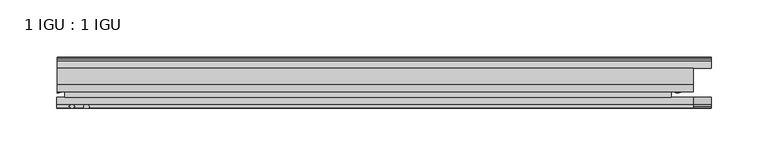
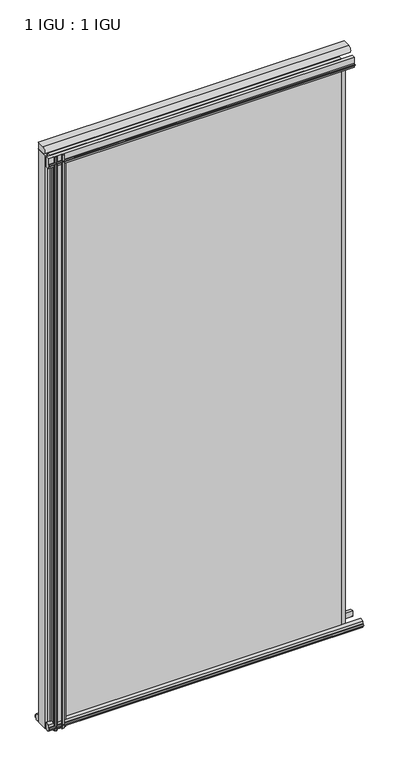
"""IFC4 building model written with IfcOpenShell, lengths in millimetres: plate geometry, 1 IGU : 1 IGU."""

from ifc_helpers import new_model, si_unit, point, frame, frame_2d, origin, place, context, project, spatial, polyline, circle_curve, ellipse_curve, trimmed, segment, composite_curve, outline, extrude, source, transform, mapped, element, save
from ifc_brep_helpers import plane_surface, cylinder_surface, revolved_surface, extruded_surface, advanced_brep


def plate_1_igu_1_igu_8204e6f6(model_context):
    return source(origin(), model_context, "Body", "SolidModel", [
        extrude(outline(polyline([(-314.3261907, -38.6468937), (218.0840032, -38.6468937), (218.0840032, -44.9460938), (-314.3261907, -44.9460938), (-314.3261907, -38.6468937)])), frame((0.0, 0.0, -12.7), z_axis=(0.0, 0.0, 1.0), x_axis=(1.0, 0.0, 0.0)), (0.0, 0.0, 1.0), 1106.5764186),
        extrude(outline(polyline([(-314.3261907, -19.5460937), (218.0840032, -19.5460937), (218.0840032, -25.8960938), (-314.3261907, -25.8960938), (-314.3261907, -19.5460937)])), frame((0.0, 0.0, -12.7), z_axis=(0.0, 0.0, 1.0), x_axis=(1.0, 0.0, 0.0)), (0.0, 0.0, 1.0), 1106.5764186),
        advanced_brep(
        [(230.8149887, -20.0381352, 1074.8264186), (218.1149887, -19.5460938, 1074.8264186), (218.1149887, -25.8960938, 1074.8264186), (217.2629308, -29.4671887, 1074.8264186), (230.8149887, -32.2460938, 1074.8264186), (230.8149887, -20.0381352, -12.4587), (230.8149887, -32.2460938, -12.4587), (217.266167, -29.4679608, -12.4587), (218.1149887, -25.8960938, -12.4587), (218.1149887, -19.5460938, -12.4587)],
        [
            (0, 1, circle_curve(frame((225.0982619, -3.4468047, 1074.8264186), z_axis=(0.0, 0.0, -1.0), x_axis=(0.0, 1.0, 0.0)), 17.5485957)),
            (1, 2),
            (2, 3),
            (3, 4, ellipse_curve(frame((223.8788201, -32.2460938, 1074.8264186), z_axis=(0.0, 0.0, 1.0), x_axis=(0.0, -1.0, 0.0)), 9.2039536, 6.9361686)),
            (4, 0),
            (5, 6),
            (6, 7, ellipse_curve(frame((223.8788201, -32.2460938, -12.4587), z_axis=(0.0, 0.0, -1.0), x_axis=(0.0, -1.0, 0.0)), 9.2039536, 6.9361686)),
            (7, 8),
            (8, 9),
            (9, 5, circle_curve(frame((225.0982619, -3.4468047, -12.4587), z_axis=(0.0, 0.0, 1.0), x_axis=(0.0, 1.0, 0.0)), 17.5485957)),
            (0, 5),
            (9, 1),
            (8, 2),
            (7, 3),
            (6, 4),
        ],
        [
            plane_surface(frame((253.2074407, -13.1960938, 1074.8264186), z_axis=(0.0, 0.0, 1.0), x_axis=(0.0, 1.0, 0.0))),
            plane_surface(frame((253.2074407, -13.1960938, -12.4587), z_axis=(0.0, 0.0, -1.0), x_axis=(0.0, 1.0, 0.0))),
            revolved_surface(polyline([(225.0982619, 14.101791, -12.458699999999908), (225.0982619, 14.101791, 1074.8264186)]), (225.0982619, -3.4468047, 1074.8264186), (0.0, 0.0, -1.0)),
            plane_surface(frame((218.1149887, -19.5460938, 1074.8264186), z_axis=(-1.0, 0.0, 0.0), x_axis=(0.0, 0.0, -1.0))),
            plane_surface(frame((218.1149887, -25.8960938, 1074.8264186), z_axis=(-0.972695803429064, 0.23208376503212744, 0.0), x_axis=(0.0, 0.0, -1.0))),
            extruded_surface(trimmed(ellipse_curve(frame((223.8788201, -32.2460938, -12.4587), z_axis=(0.0, 0.0, 1.0), x_axis=(0.0, -1.0, 0.0)), 9.2039536, 6.9361686), [point((217.266167, -29.4679608, -12.4587))], [point((230.8149887, -32.2460938, -12.4587))], True, "CARTESIAN"), (0.0, 0.0, 1087.2851185999998), 1087.2851185999998),
            plane_surface(frame((230.8149887, -32.2460938, 1074.8264186), z_axis=(1.0, 0.0, 0.0), x_axis=(0.0, 0.0, -1.0))),
        ],
        [
            (0, [[1, 2, 3, 4, 5]]),
            (1, [[6, 7, 8, 9, 10]]),
            (2, [[-1, 11, -10, 12]]),
            (3, [[-2, -12, -9, 13]]),
            (4, [[-3, -13, -8, 14]]),
            (5, [[-4, -14, -7, 15]]),
            (6, [[-5, -15, -6, -11]]),
        ],
    ),
        advanced_brep(
        [(-320.6761907, -21.1706006, -12.7), (-314.3275788, -19.5461438, -12.7), (-314.3275788, -25.8549351, -12.7), (-313.1522276, -32.21431, -12.7), (-320.6761907, -41.5384043, -12.7), (-320.6761907, -21.1706006, 1093.8764186), (-320.6761907, -41.5384043, 1093.8764186), (-313.1522276, -32.21431, 1093.8764186), (-314.3275788, -25.8549351, 1093.8764186), (-314.3275788, -19.5461438, 1093.8764186)],
        [
            (0, 1, circle_curve(frame((-320.6767601, -7.9505008, -12.7), z_axis=(0.0, 0.0, 1.0), x_axis=(1.0, 0.0, 0.0)), 13.2200998)),
            (1, 2),
            (2, 3, circle_curve(frame((-331.2145919, -32.2643264, -12.7), z_axis=(0.0, 0.0, -1.0), x_axis=(1.0, 0.0, 0.0)), 18.0624336)),
            (3, 4, ellipse_curve(frame((-320.6753578, -32.2460921, -12.7), z_axis=(0.0, 0.0, -1.0), x_axis=(0.0, -1.0, 0.0)), 9.2923123, 7.5231742)),
            (4, 0),
            (5, 6),
            (6, 7, ellipse_curve(frame((-320.6753578, -32.2460921, 1093.8764186), z_axis=(0.0, 0.0, 1.0), x_axis=(0.0, -1.0, 0.0)), 9.2923123, 7.5231742)),
            (7, 8, circle_curve(frame((-331.2145919, -32.2643264, 1093.8764186), z_axis=(0.0, 0.0, 1.0), x_axis=(1.0, 0.0, 0.0)), 18.0624336)),
            (8, 9),
            (9, 5, circle_curve(frame((-320.6767601, -7.9505008, 1093.8764186), z_axis=(0.0, 0.0, -1.0), x_axis=(1.0, 0.0, 0.0)), 13.2200998)),
            (0, 5),
            (9, 1),
            (8, 2),
            (7, 3),
            (6, 4),
        ],
        [
            plane_surface(frame((-320.6761907, -13.1960937, -12.7), z_axis=(0.0, 0.0, -1.0), x_axis=(0.0, 1.0, 0.0))),
            plane_surface(frame((-320.6761907, -13.1960937, 1093.8764186), z_axis=(0.0, 0.0, 1.0), x_axis=(0.0, 1.0, 0.0))),
            revolved_surface(polyline([(-307.4566603, -7.9505008, 1093.8764186), (-307.4566603, -7.9505008, -12.7)]), (-320.6767601, -7.9505008, -12.7), (0.0, 0.0, 1.0)),
            plane_surface(frame((-314.3275788, -19.5461438, -12.7), z_axis=(1.0, 0.0, 0.0), x_axis=(0.0, 0.0, 1.0))),
            cylinder_surface(frame((-331.2145919, -32.2643264, -12.7), z_axis=(0.0, 0.0, -1.0), x_axis=(1.0, 0.0, 0.0)), 18.0624336),
            extruded_surface(trimmed(ellipse_curve(frame((-320.6753578, -32.2460921, 1093.8764186), z_axis=(0.0, 0.0, -1.0), x_axis=(0.0, -1.0, 0.0)), 9.2923123, 7.5231742), [point((-313.1522276, -32.21431, 1093.8764186))], [point((-320.6761907, -41.5384043, 1093.8764186))], True, "CARTESIAN"), (0.0, 0.0, -1106.5764186000001), 1106.5764186000001),
            plane_surface(frame((-320.6761907, -41.5384043, -12.7), z_axis=(-1.0, 0.0, 0.0), x_axis=(0.0, 0.0, 1.0))),
        ],
        [
            (0, [[1, 2, 3, 4, 5]]),
            (1, [[6, 7, 8, 9, 10]]),
            (2, [[-1, 11, -10, 12]]),
            (3, [[-2, -12, -9, 13]]),
            (4, [[-3, -13, -8, 14]]),
            (5, [[-4, -14, -7, 15]]),
            (6, [[-5, -15, -6, -11]]),
        ],
    ),
        extrude(outline(polyline([(-44.9460937, 1.7177181), (-44.9460937, -9.1036578), (-48.3496937, -11.938), (-51.2960937, -11.938), (-51.2960937, -7.493), (-53.6762907, -7.112), (-53.2163575, -8.5275291), (-54.0175717, -8.5275291), (-54.7250937, -6.35), (-54.0175717, -4.1724709), (-53.2163575, -4.1724709), (-53.6762907, -5.588), (-51.2960937, -5.207), (-51.2960937, 0.0), (-44.9460937, 1.7177181)])), frame((-320.6761907, 0.0, 0.0), z_axis=(1.0, 0.0, 0.0), x_axis=(0.0, 1.0, 0.0)), (0.0, 0.0, 1.0), 573.8836314),
        extrude(outline(polyline([(-13.1960937, -12.4587), (-16.1424937, -12.4587), (-19.5460937, -9.6243578), (-19.5460937, 1.1970181), (-13.1960937, -0.5207), (-13.1960937, -5.7277), (-10.8158968, -6.1087), (-11.27583, -4.6931709), (-10.4746158, -4.6931709), (-9.7670937, -6.8707), (-10.4746158, -9.0482291), (-11.27583, -9.0482291), (-10.8158968, -7.6327), (-13.1960937, -8.0137), (-13.1960937, -12.4587)])), frame((-320.6761907, 0.0, 0.0), z_axis=(1.0, 0.0, 0.0), x_axis=(0.0, 1.0, 0.0)), (0.0, 0.0, 1.0), 573.8836314),
        extrude(outline(composite_curve([segment(polyline([(-44.9380025, 1074.7385163), (-51.2960937, 1074.7385163), (-51.2960937, 1079.5645163), (-54.1955564, 1079.5645163), (-54.8194621, 1080.5418087)]), True, "CONTINUOUS"), segment(trimmed(circle_curve(frame_2d((-53.9630937, 1081.0885163)), 1.016), [point((-54.8194621, 1080.5418087))], [point((-54.8194621, 1081.6352239))], False, "CARTESIAN"), True, "CONTINUOUS"), segment(polyline([(-54.8194621, 1081.6352239), (-54.1955564, 1082.6125163), (-51.2878033, 1082.6125163), (-51.2916866, 1093.7771998), (-44.9380025, 1093.7771998), (-44.9380025, 1074.7385163)]), True, "CONTINUOUS")], self_intersect=False)), frame((-321.1184846, 0.0, 0.0), z_axis=(1.0, 0.0, 0.0), x_axis=(0.0, 1.0, 0.0)), (0.0, 0.0, 1.0), 558.7485815),
        extrude(outline(composite_curve([segment(trimmed(circle_curve(frame_2d((-279.9102594, -51.9750196)), 9.0414579), [point((-285.5972763, -44.9460938))], [point((-288.9261909, -51.2960938))], True, "CARTESIAN"), True, "CONTINUOUS"), segment(polyline([(-288.9261909, -51.2960938), (-293.1679909, -51.2960938)]), True, "CONTINUOUS"), segment(trimmed(circle_curve(frame_2d((-293.1679909, -51.7532938)), 0.4572), [point((-293.1679909, -51.2960938))], [point((-293.5068087, -52.0602698))], True, "CARTESIAN"), True, "CONTINUOUS"), segment(trimmed(circle_curve(frame_2d((-295.2761909, -53.663367)), 2.3876), [point((-293.5068087, -52.0602698))], [point((-293.2055479, -54.8520938))], False, "CARTESIAN"), True, "CONTINUOUS"), segment(polyline([(-293.2055479, -54.8520938), (-297.3468339, -54.8520938)]), True, "CONTINUOUS"), segment(trimmed(circle_curve(frame_2d((-295.2761909, -53.663367)), 2.3876), [point((-297.3468339, -54.8520938))], [point((-297.045573, -52.0602698))], False, "CARTESIAN"), True, "CONTINUOUS"), segment(trimmed(circle_curve(frame_2d((-297.3843909, -51.7532938)), 0.4572), [point((-297.045573, -52.0602698))], [point((-297.3843909, -51.2960938))], True, "CARTESIAN"), True, "CONTINUOUS"), segment(polyline([(-297.3843909, -51.2960938), (-306.4521909, -51.2960938), (-306.4521909, -52.9470938), (-305.3745601, -52.9470938)]), True, "CONTINUOUS"), segment(trimmed(circle_curve(frame_2d((-306.4521909, -52.9470938)), 1.0776307), [point((-305.3745601, -52.9470938))], [point((-305.6901909, -53.7090938))], False, "CARTESIAN"), True, "CONTINUOUS"), segment(polyline([(-305.6901909, -53.7090938), (-307.4294833, -54.8194621)]), True, "CONTINUOUS"), segment(trimmed(circle_curve(frame_2d((-307.9761909, -53.9630938)), 1.016), [point((-307.4294833, -54.8194621))], [point((-308.5228985, -54.8194621))], False, "CARTESIAN"), True, "CONTINUOUS"), segment(polyline([(-308.5228985, -54.8194621), (-310.2621909, -53.7090938)]), True, "CONTINUOUS"), segment(trimmed(circle_curve(frame_2d((-309.5001909, -52.9470938)), 1.0776307), [point((-310.2621909, -53.7090938))], [point((-310.5778216, -52.9470938))], False, "CARTESIAN"), True, "CONTINUOUS"), segment(polyline([(-310.5778216, -52.9470938), (-309.5001909, -52.9470938), (-309.5001909, -51.2960938), (-311.1511909, -51.2960938), (-311.1511909, -44.9460938), (-285.5972763, -44.9460938)]), True, "CONTINUOUS")], self_intersect=False)), frame((0.0, 0.0, -12.7), z_axis=(0.0, 0.0, 1.0), x_axis=(1.0, 0.0, 0.0)), (0.0, 0.0, 1.0), 1106.5764187),
        extrude(outline(composite_curve([segment(trimmed(circle_curve(frame_2d((-9.2245666, 1100.1899978)), 12.1106873), [point((-19.5460937, 1106.525203))], [point((-19.5460937, 1093.8547926))], True, "CARTESIAN"), True, "CONTINUOUS"), segment(polyline([(-19.5460937, 1093.8547926), (-33.8757421, 1093.8547926)]), True, "CONTINUOUS"), segment(trimmed(circle_curve(frame_2d((-33.8757421, 1100.1899978)), 6.3352052), [point((-33.8757421, 1093.8547926))], [point((-33.8757421, 1106.525203))], False, "CARTESIAN"), True, "CONTINUOUS"), segment(polyline([(-33.8757421, 1106.525203), (-19.5460937, 1106.525203)]), True, "CONTINUOUS")], self_intersect=False)), frame((-320.6761907, 0.0, 0.0), z_axis=(1.0, 0.0, 0.0), x_axis=(0.0, 1.0, 0.0)), (0.0, 0.0, 1.0), 558.3062877),
    ])


if __name__ == "__main__":
    model = new_model("IFC4")
    model_context = context("Model", 3, world=origin())
    ifc_project = project(units=[si_unit("LENGTHUNIT", "METRE", prefix="MILLI")], contexts=[model_context])
    site = spatial("IfcSite", under=ifc_project)
    building = spatial("IfcBuilding", under=site)
    placement = place(None, origin())
    plate_1_igu_1_igu_shape = plate_1_igu_1_igu_8204e6f6(model_context)
    element("IfcPlate", 1, ObjectType="1 IGU : 1 IGU", at=placement, inside=building, context=model_context, shape_type="MappedRepresentation", body=[
        mapped(plate_1_igu_1_igu_shape, transform((0.0, 0.0, 0.0), x_axis=(1.0, 0.0, 0.0), y_axis=(0.0, 1.0, 0.0), z_axis=(0.0, 0.0, 1.0))),
    ])
    save(model, "model.ifc")
